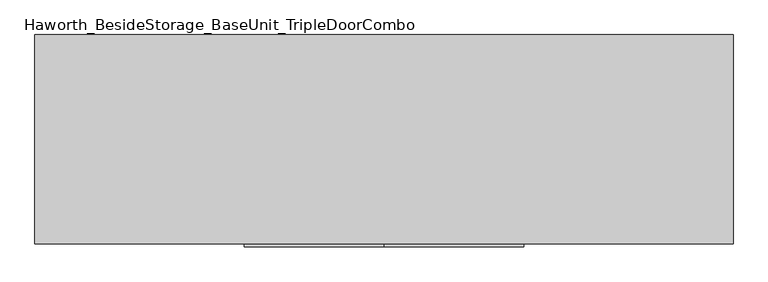
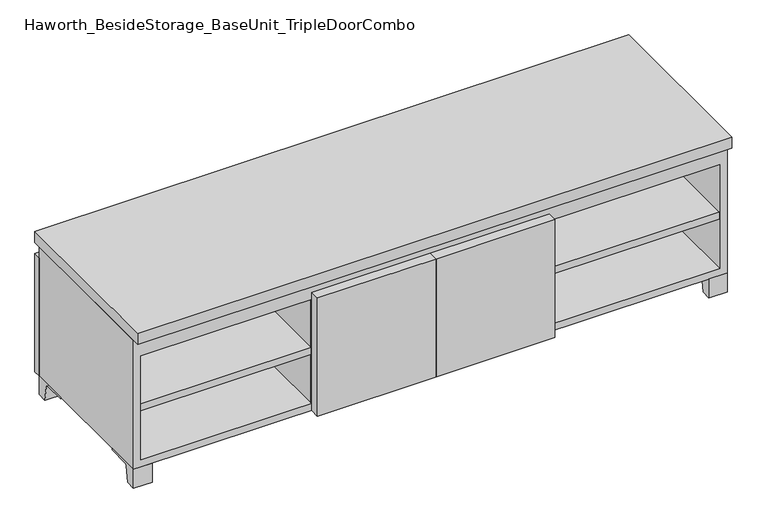
"""IFC4 building model written with IfcOpenShell, lengths in millimetres: furniture geometry, Haworth_BesideStorage_BaseUnit_TripleDoorCombo."""

from ifc_helpers import new_model, si_unit, point, frame, frame_2d, origin, place, context, project, spatial, polyline, circle_curve, trimmed, segment, composite_curve, outline, extrude, source, transform, mapped, element, save


def haworth_besidestorage_baseunit_tripledoorcombo_5720a597(model_context):
    return source(origin(), model_context, "Body", "SweptSolid", [
        extrude(outline(polyline([(304.8069453, 241.3), (742.9569453, 241.3), (742.9569453, -142.875), (304.8069453, -142.875), (304.8069453, 241.3)])), frame((0.0, 0.0, 201.6125), z_axis=(0.0, 0.0, 1.0), x_axis=(1.0, 0.0, 0.0)), (0.0, 0.0, 1.0), 19.05),
        extrude(outline(polyline([(-304.7791641, 241.3), (-304.7791641, -142.875), (-742.9291641, -142.875), (-742.9291641, 241.3), (-304.7791641, 241.3)])), frame((0.0, 0.0, 201.6125), z_axis=(0.0, 0.0, 1.0), x_axis=(1.0, 0.0, 0.0)), (0.0, 0.0, 1.0), 19.05),
        extrude(outline(polyline([(285.7638906, 241.3), (285.7638906, -142.875), (-285.7361094, -142.875), (-285.7361094, 241.3), (285.7638906, 241.3)])), frame((0.0, 0.0, 201.6125), z_axis=(0.0, 0.0, 1.0), x_axis=(1.0, 0.0, 0.0)), (0.0, 0.0, 1.0), 19.05),
        extrude(outline(composite_curve([segment(polyline([(47.6249864, 0.0), (22.225, 0.0), (22.225, 50.8), (117.475, 50.8), (117.475, 46.0213321), (60.6744655, 46.0213321)]), True, "CONTINUOUS"), segment(trimmed(circle_curve(frame_2d((60.6744655, 39.6713321)), 6.35), [point((60.6744655, 46.0213321))], [point((54.4108641, 40.7152656))], True, "CARTESIAN"), True, "CONTINUOUS"), segment(polyline([(54.4108641, 40.7152656), (47.6249864, 0.0)]), True, "CONTINUOUS")], self_intersect=False)), frame((-23.7986094, 0.0, 0.0), z_axis=(1.0, 0.0, 0.0), x_axis=(0.0, 1.0, 0.0)), (0.0, 0.0, 1.0), 47.625),
        extrude(outline(polyline([(762.0138906, 292.1), (762.0138906, -165.1), (-761.9861094, -165.1), (-761.9861094, 292.1), (762.0138906, 292.1)])), frame((0.0, 0.0, 401.6375), z_axis=(0.0, 0.0, 1.0), x_axis=(1.0, 0.0, 0.0)), (0.0, 0.0, 1.0), 30.1625),
        extrude(outline(composite_curve([segment(polyline([(-120.6500136, 0.0), (-146.05, 0.0), (-146.05, 50.8), (-50.8, 50.8), (-50.8, 46.0213321), (-107.6005345, 46.0213321)]), True, "CONTINUOUS"), segment(trimmed(circle_curve(frame_2d((-107.6005345, 39.6713321)), 6.35), [point((-107.6005345, 46.0213321))], [point((-113.8641359, 40.7152656))], True, "CARTESIAN"), True, "CONTINUOUS"), segment(polyline([(-113.8641359, 40.7152656), (-120.6500136, 0.0)]), True, "CONTINUOUS")], self_intersect=False)), frame((714.3888906, 0.0, 0.0), z_axis=(1.0, 0.0, 0.0), x_axis=(0.0, 1.0, 0.0)), (0.0, 0.0, 1.0), 47.625),
        extrude(outline(composite_curve([segment(polyline([(247.6500136, 0.0), (240.8641359, 40.7152656)]), True, "CONTINUOUS"), segment(trimmed(circle_curve(frame_2d((234.6005345, 39.6713321)), 6.35), [point((240.8641359, 40.7152656))], [point((234.6005345, 46.0213321))], True, "CARTESIAN"), True, "CONTINUOUS"), segment(polyline([(234.6005345, 46.0213321), (177.8, 46.0213321), (177.8, 50.8), (273.05, 50.8), (273.05, 0.0), (247.6500136, 0.0)]), True, "CONTINUOUS")], self_intersect=False)), frame((714.3888906, 0.0, 0.0), z_axis=(1.0, 0.0, 0.0), x_axis=(0.0, 1.0, 0.0)), (0.0, 0.0, 1.0), 47.625),
        extrude(outline(composite_curve([segment(polyline([(-120.6500136, 0.0), (-146.05, 0.0), (-146.05, 50.8), (-50.8, 50.8), (-50.8, 46.0213321), (-107.6005345, 46.0213321)]), True, "CONTINUOUS"), segment(trimmed(circle_curve(frame_2d((-107.6005345, 39.6713321)), 6.35), [point((-107.6005345, 46.0213321))], [point((-113.8641359, 40.7152656))], True, "CARTESIAN"), True, "CONTINUOUS"), segment(polyline([(-113.8641359, 40.7152656), (-120.6500136, 0.0)]), True, "CONTINUOUS")], self_intersect=False)), frame((-761.9861094, 0.0, 0.0), z_axis=(1.0, 0.0, 0.0), x_axis=(0.0, 1.0, 0.0)), (0.0, 0.0, 1.0), 47.625),
        extrude(outline(composite_curve([segment(polyline([(247.6500136, 0.0), (240.8641359, 40.7152656)]), True, "CONTINUOUS"), segment(trimmed(circle_curve(frame_2d((234.6005345, 39.6713321)), 6.35), [point((240.8641359, 40.7152656))], [point((234.6005345, 46.0213321))], True, "CARTESIAN"), True, "CONTINUOUS"), segment(polyline([(234.6005345, 46.0213321), (177.8, 46.0213321), (177.8, 50.8), (273.05, 50.8), (273.05, 0.0), (247.6500136, 0.0)]), True, "CONTINUOUS")], self_intersect=False)), frame((-761.9861094, 0.0, 0.0), z_axis=(1.0, 0.0, 0.0), x_axis=(0.0, 1.0, 0.0)), (0.0, 0.0, 1.0), 47.625),
        extrude(outline(polyline([(0.0138906, -171.45), (0.0138906, -146.05), (304.8138906, -146.05), (304.8138906, -171.45), (0.0138906, -171.45)])), frame((0.0, 0.0, 50.8), z_axis=(0.0, 0.0, 1.0), x_axis=(1.0, 0.0, 0.0)), (0.0, 0.0, 1.0), 320.675),
        extrude(outline(polyline([(0.0138906, -171.45), (-304.7861094, -171.45), (-304.7861094, -146.05), (0.0138906, -146.05), (0.0138906, -171.45)])), frame((0.0, 0.0, 50.8), z_axis=(0.0, 0.0, 1.0), x_axis=(1.0, 0.0, 0.0)), (0.0, 0.0, 1.0), 320.675),
        extrude(outline(polyline([(-736.5791641, -120.65), (-736.5791641, 247.65), (-720.7041641, 247.65), (-720.7041641, 73.025), (-7.9236094, 73.025), (-7.9236094, 247.65), (7.9513906, 247.65), (7.9513906, 73.025), (720.7111094, 73.025), (720.7111094, 247.65), (736.5861094, 247.65), (736.5861094, -120.65), (720.7111094, -120.65), (720.7111094, 53.975), (7.9513906, 53.975), (7.9513906, -120.65), (-7.9236094, -120.65), (-7.9236094, 53.975), (-720.7041641, 53.975), (-720.7041641, -120.65), (-736.5791641, -120.65)])), frame((0.0, 0.0, 371.475), z_axis=(0.0, 0.0, 1.0), x_axis=(1.0, 0.0, 0.0)), (0.0, 0.0, 1.0), 30.1625),
        extrude(outline(polyline([(304.8138906, 241.3), (304.8138906, -142.875), (285.7638906, -142.875), (285.7638906, 241.3), (304.8138906, 241.3)])), frame((0.0, 0.0, 69.85), z_axis=(0.0, 0.0, 1.0), x_axis=(1.0, 0.0, 0.0)), (0.0, 0.0, 1.0), 282.575),
        extrude(outline(polyline([(-285.7361094, 241.3), (-285.7361094, -142.875), (-304.7861094, -142.875), (-304.7861094, 241.3), (-285.7361094, 241.3)])), frame((0.0, 0.0, 69.85), z_axis=(0.0, 0.0, 1.0), x_axis=(1.0, 0.0, 0.0)), (0.0, 0.0, 1.0), 282.575),
        extrude(outline(polyline([(762.0138906, 273.05), (-761.9861094, 273.05), (-761.9861094, 292.1), (762.0138906, 292.1), (762.0138906, 273.05)])), frame((0.0, 0.0, 50.8), z_axis=(0.0, 0.0, 1.0), x_axis=(1.0, 0.0, 0.0)), (0.0, 0.0, 1.0), 320.675),
        extrude(outline(polyline([(50.8, -761.9861094), (50.8, 762.0138906), (401.6375, 762.0138906), (401.6375, -761.9861094), (50.8, -761.9861094)]), holes=[polyline([(69.85, -742.9361094), (352.425, -742.9361094), (352.425, 742.9569453), (69.85, 742.9569453), (69.85, -742.9361094)])]), frame((0.0, -146.05, 0.0), z_axis=(0.0, 1.0, 0.0), x_axis=(0.0, 0.0, 1.0)), (0.0, 0.0, 1.0), 419.1),
        extrude(outline(polyline([(-742.9291641, 241.3), (-742.9291641, 247.65), (742.9569453, 247.65), (742.9569453, 241.3), (-742.9291641, 241.3)])), frame((0.0, 0.0, 69.85), z_axis=(0.0, 0.0, 1.0), x_axis=(1.0, 0.0, 0.0)), (0.0, 0.0, 1.0), 282.575),
    ])


if __name__ == "__main__":
    model = new_model("IFC4")
    model_context = context("Model", 3, world=origin())
    ifc_project = project(units=[si_unit("LENGTHUNIT", "METRE", prefix="MILLI")], contexts=[model_context])
    site = spatial("IfcSite", under=ifc_project)
    building = spatial("IfcBuilding", under=site)
    placement = place(None, origin())
    haworth_besidestorage_baseunit_tripledoorcombo_shape = haworth_besidestorage_baseunit_tripledoorcombo_5720a597(model_context)
    element("IfcFurniture", 1, ObjectType="Haworth_BesideStorage_BaseUnit_TripleDoorCombo", at=placement, inside=building, context=model_context, shape_type="MappedRepresentation", body=[
        mapped(haworth_besidestorage_baseunit_tripledoorcombo_shape, transform((0.0, 0.0, 0.0), x_axis=(1.0, 0.0, 0.0), y_axis=(0.0, 1.0, 0.0), z_axis=(0.0, 0.0, 1.0))),
    ])
    save(model, "model.ifc")
